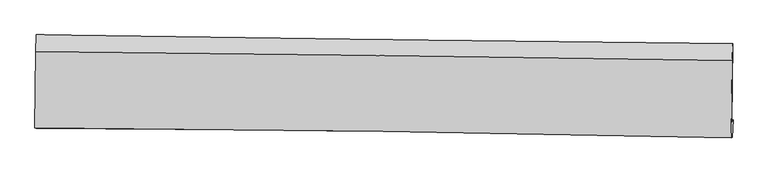
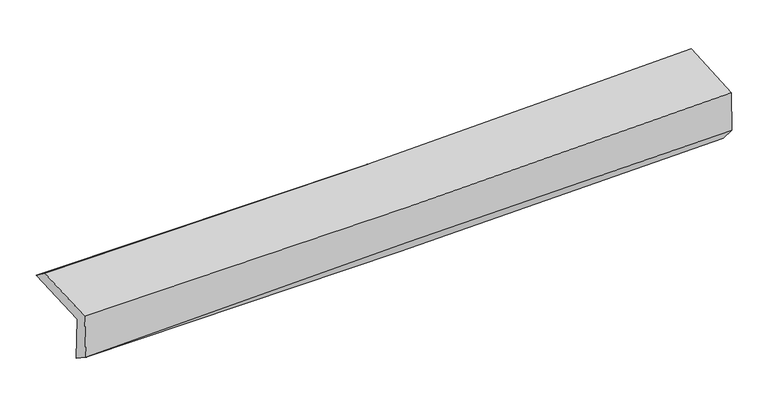
"""IFC4 building model written with IfcOpenShell, lengths in millimetres: proxy geometry."""

import ifcopenshell
import ifcopenshell.guid

model = None  # the IFC model being written
_history = None  # IfcOwnerHistory: only IFC2X3 demands one
_inside = {}  # id of a spatial element -> (the spatial element, [elements in it])
_under = {}  # id of a project, library or spatial element -> (it, [spatial elements below it])
_declared = {}  # id of a project -> (the project, [libraries it declares])
_typed = {}  # id of a type object -> (the type object, [elements of that type])
_made_of = {}  # id of a material, layer set ... -> (it, [elements and type objects made of it])


def new_model(schema):
    """Start an empty IFC model of exactly this schema.

    Asked for "IFC4X3", IfcOpenShell would pick the latest addendum, in which some entities
    have other attributes; the version numbers below select the first issue.
    IFC2X3 requires an IfcOwnerHistory on every rooted entity: one is made here for all.
    """
    global model, _history
    if schema == "IFC4X3":
        model = ifcopenshell.file(schema_version=(4, 3, 0, 0))
    else:
        model = ifcopenshell.file(schema=schema)
    _inside.clear()
    _under.clear()
    _declared.clear()
    _typed.clear()
    _made_of.clear()
    _history = None
    if model.schema == "IFC2X3":
        org = make("IfcOrganization", Name="unknown")
        user = make(
            "IfcPersonAndOrganization",
            ThePerson=make("IfcPerson", FamilyName="unknown"),
            TheOrganization=org,
        )
        app = make(
            "IfcApplication",
            ApplicationDeveloper=org,
            Version="unknown",
            ApplicationFullName="unknown",
            ApplicationIdentifier="unknown",
        )
        _history = make(
            "IfcOwnerHistory",
            OwningUser=user,
            OwningApplication=app,
            ChangeAction="ADDED",
            CreationDate=0,
        )
    return model


def make(cls, **values):
    """One entity of the class cls with the attributes given. An attribute that is None is left unset."""
    return model.create_entity(
        cls, **{name: value for name, value in values.items() if value is not None}
    )


def rooted(cls, **values):
    """An entity with a GlobalId (a new one), such as an element, a storey or a relation."""
    return make(cls, GlobalId=ifcopenshell.guid.new(), OwnerHistory=_history, **values)


def si_unit(unit_type, name, prefix=None):
    """IfcSIUnit, for example si_unit("LENGTHUNIT", "METRE", prefix="MILLI")."""
    return make("IfcSIUnit", UnitType=unit_type, Prefix=prefix, Name=name)


def assignment(units):
    """IfcUnitAssignment: the units of a project."""
    return None if units is None else make("IfcUnitAssignment", Units=units)


def point(xyz):
    """IfcCartesianPoint."""
    return None if xyz is None else make("IfcCartesianPoint", Coordinates=xyz)


def direction(xyz):
    """IfcDirection."""
    return None if xyz is None else make("IfcDirection", DirectionRatios=xyz)


def frame(location, z_axis=None, x_axis=None):
    """IfcAxis2Placement3D, a coordinate frame: its origin and axes. An axis left out is left unset."""
    return make(
        "IfcAxis2Placement3D",
        Location=point(location),
        Axis=direction(z_axis),
        RefDirection=direction(x_axis),
    )


def origin():
    """The frame at (0, 0, 0) with its axes left unset."""
    return frame((0.0, 0.0, 0.0))


def place(relative_to, where):
    """IfcLocalPlacement: puts the frame where relative to a parent placement (None: the world)."""
    return make(
        "IfcLocalPlacement", PlacementRelTo=relative_to, RelativePlacement=where
    )


def context(
    kind, dimensions, precision=None, world=None, true_north=None, identifier=None
):
    """IfcGeometricRepresentationContext, for example the 3D "Model" context."""
    return make(
        "IfcGeometricRepresentationContext",
        ContextIdentifier=identifier,
        ContextType=kind,
        CoordinateSpaceDimension=dimensions,
        Precision=precision,
        WorldCoordinateSystem=world,
        TrueNorth=true_north,
    )


def project(units=None, contexts=None):
    """IfcProject with its units and contexts."""
    return rooted(
        "IfcProject",
        Name="project",
        RepresentationContexts=contexts,
        UnitsInContext=assignment(units),
    )


def spatial(cls, under=None, at=None, **own):
    """A site, building, storey or space (cls), placed at a placement, below another one or the project."""
    s = rooted(cls, ObjectPlacement=at, **own)
    if under is not None:
        _under.setdefault(under.id(), (under, []))[1].append(s)
    return s


def shape(context_of_items, identifier, shape_type, items):
    """IfcShapeRepresentation: the items that make up one representation, for example the "Body"."""
    return make(
        "IfcShapeRepresentation",
        ContextOfItems=context_of_items,
        RepresentationIdentifier=identifier,
        RepresentationType=shape_type,
        Items=items,
    )


def source(mapping_origin, context_of_items, identifier, shape_type, items):
    """IfcRepresentationMap: a shape defined once, which mapped items show again and again."""
    return make(
        "IfcRepresentationMap",
        MappingOrigin=mapping_origin,
        MappedRepresentation=shape(context_of_items, identifier, shape_type, items),
    )


def transform(
    local_origin,
    x_axis=None,
    y_axis=None,
    z_axis=None,
    scale=None,
    scale2=None,
    scale3=None,
    uniform=True,
):
    """IfcCartesianTransformationOperator3D, or its non-uniform kind. x_axis, y_axis, z_axis: its Axis1, 2, 3."""
    if uniform:
        return make(
            "IfcCartesianTransformationOperator3D",
            Axis1=direction(x_axis),
            Axis2=direction(y_axis),
            LocalOrigin=point(local_origin),
            Scale=scale,
            Axis3=direction(z_axis),
        )
    return make(
        "IfcCartesianTransformationOperator3DnonUniform",
        Axis1=direction(x_axis),
        Axis2=direction(y_axis),
        LocalOrigin=point(local_origin),
        Scale=scale,
        Axis3=direction(z_axis),
        Scale2=scale2,
        Scale3=scale3,
    )


def mapped(mapping_source, mapping_target):
    """IfcMappedItem: shows the shape of a source again, moved by a transform."""
    return make(
        "IfcMappedItem", MappingSource=mapping_source, MappingTarget=mapping_target
    )


def made_of(thing, what):
    """Note that an element or type object is made of a material, layer set ...; save() writes the relation."""
    if what is not None:
        _made_of.setdefault(what.id(), (what, []))[1].append(thing)
    return thing


def element(
    cls,
    number,
    at=None,
    inside=None,
    cuts=None,
    type_object=None,
    material=None,
    context=None,
    identifier="Body",
    shape_type=None,
    held_by="IfcProductDefinitionShape",
    body=None,
    shapes=None,
    **own,
):
    """One element of the class cls, such as IfcWall. Its Tag is "e" and its number.

    at: its placement. inside: the storey or other place that contains it. cuts: it is an
    opening in that element (IfcRelVoidsElement). A single representation is given by context,
    identifier, shape_type and body (its items); several are given by shapes. held_by: the class
    of the entity that holds the representations. save() writes the other relations.
    """
    e = rooted(cls, Tag="e%d" % number, ObjectPlacement=at, **own)
    if body is not None:
        shapes = [shape(context, identifier, shape_type, body)]
    if shapes is not None:
        e.Representation = make(held_by, Representations=shapes)
    if inside is not None:
        _inside.setdefault(inside.id(), (inside, []))[1].append(e)
    if cuts is not None:
        rooted(
            "IfcRelVoidsElement", RelatingBuildingElement=cuts, RelatedOpeningElement=e
        )
    if type_object is not None:
        _typed.setdefault(type_object.id(), (type_object, []))[1].append(e)
    return made_of(e, material)


def aggregate(whole, parts):
    """IfcRelAggregates: a whole, such as a stair, and the parts it consists of."""
    return rooted("IfcRelAggregates", RelatingObject=whole, RelatedObjects=parts)


def save(model, path):
    """Write the relations noted so far, then the file.

    IfcRelAggregates (storeys below a building ...), IfcRelContainedInSpatialStructure (elements
    in a storey), IfcRelDefinesByType, IfcRelAssociatesMaterial and IfcRelDeclares: one each for
    every whole, place, type object, material and project.
    """
    for whole, parts in _under.values():
        aggregate(whole, parts)
    for where, things in _inside.values():
        rooted(
            "IfcRelContainedInSpatialStructure",
            RelatedElements=things,
            RelatingStructure=where,
        )
    for kind, things in _typed.values():
        rooted("IfcRelDefinesByType", RelatedObjects=things, RelatingType=kind)
    for what, things in _made_of.values():
        rooted("IfcRelAssociatesMaterial", RelatedObjects=things, RelatingMaterial=what)
    for by, libraries in _declared.values():
        rooted("IfcRelDeclares", RelatingContext=by, RelatedDefinitions=libraries)
    model.write(path)


def plane_surface(at):
    """IfcPlane: the flat surface through the origin of the frame at, square to its z axis."""
    return make("IfcPlane", Position=at)


def spline_curve(degree, points, multiplicities, knots, weights=None):
    """IfcBSplineCurveWithKnots; with weights, IfcRationalBSplineCurveWithKnots."""
    own = dict(
        Degree=degree,
        ControlPointsList=[point(p) for p in points],
        CurveForm="UNSPECIFIED",
        ClosedCurve=False,
        SelfIntersect=False,
        KnotMultiplicities=multiplicities,
        Knots=knots,
        KnotSpec="UNSPECIFIED",
    )
    if weights is None:
        return make("IfcBSplineCurveWithKnots", **own)
    return make("IfcRationalBSplineCurveWithKnots", WeightsData=weights, **own)


def spline_surface(u_degree, v_degree, points, u_multiplicities, v_multiplicities, u_knots, v_knots, weights=None):
    """IfcBSplineSurfaceWithKnots; with weights, IfcRationalBSplineSurfaceWithKnots. points: one row for each step in u."""
    own = dict(
        UDegree=u_degree,
        VDegree=v_degree,
        ControlPointsList=[[point(p) for p in row] for row in points],
        SurfaceForm="UNSPECIFIED",
        UClosed=False,
        VClosed=False,
        SelfIntersect=False,
        UMultiplicities=u_multiplicities,
        VMultiplicities=v_multiplicities,
        UKnots=u_knots,
        VKnots=v_knots,
        KnotSpec="UNSPECIFIED",
    )
    if weights is None:
        return make("IfcBSplineSurfaceWithKnots", **own)
    return make("IfcRationalBSplineSurfaceWithKnots", WeightsData=weights, **own)


def advanced_brep(points, edges, surfaces, faces):
    """IfcAdvancedBrep: a solid bounded by faces that lie on surfaces and meet in shared edges.

    An edge is (start, end): straight between two places in points (the first is 0);
    or (start, end, curve); or (start, end, curve, False) where it runs against its curve.
    A face is (place in surfaces, loops), or (place, loops, False) where it looks against
    its surface's normal. A loop lists edges by number (the first is 1), with a minus sign
    where the edge is run from its end to its start. The first loop is the outer one.
    """
    corners = [point(p) for p in points]
    vertices = [make("IfcVertexPoint", VertexGeometry=c) for c in corners]
    made = []
    for start, end, *more in edges:
        made.append(
            make(
                "IfcEdgeCurve",
                EdgeStart=vertices[start],
                EdgeEnd=vertices[end],
                EdgeGeometry=more[0] if more else make("IfcPolyline", Points=[corners[start], corners[end]]),
                SameSense=more[1] if len(more) > 1 else True,
            )
        )
    hull = []
    for where, loops, *sense in faces:
        bounds = []
        for j, loop in enumerate(loops):
            ring = [make("IfcOrientedEdge", EdgeElement=made[abs(k) - 1], Orientation=k > 0) for k in loop]
            bounds.append(
                make(
                    "IfcFaceOuterBound" if j == 0 else "IfcFaceBound",
                    Bound=make("IfcEdgeLoop", EdgeList=ring),
                    Orientation=True,
                )
            )
        hull.append(make("IfcAdvancedFace", Bounds=bounds, FaceSurface=surfaces[where], SameSense=sense[0] if sense else True))
    return make("IfcAdvancedBrep", Outer=make("IfcClosedShell", CfsFaces=hull))


def generic_models_9ad4bba7(model_context):
    return source(origin(), model_context, "Body", "AdvancedBrep", [
        advanced_brep(
        [(-3030.7467988, -1781.1395405, 1978.278214), (-3021.8975784, -1097.8141157, 1996.8171286), (3016.5050976, -1175.2188647, 2117.4270329), (3007.6446832, -1853.4966268, 2101.9971583), (-3019.5550184, -1745.4772836, 1562.716659), (3018.4560559, -1835.7551347, 1691.7074625), (-3024.6590181, -1911.3575427, 1672.9588504), (3011.8312948, -1987.5300381, 1868.4582744), (-3035.1407099, -1906.8557296, 2082.2361627), (3001.980126, -1993.9088785, 2247.494012), (-3026.7268464, -1242.4952015, 2107.6267966), (3010.4787067, -1322.8590569, 2273.1402983)],
        [
            (0, 1),
            (1, 2, spline_curve(3, [(-3021.8975784, -1097.8141157, 1996.8171286), (-2015.040756008, -1114.22141696, 1996.159921043), (-1008.396880469, -1128.87560544, 2005.882761763), (1004.403985978, -1154.676976125, 2046.087321155), (2010.561001971, -1165.824370406, 2076.567781851), (3016.5050976, -1175.2188647, 2117.4270329)], [4, 2, 4], [0.0, 9.909653463415625, 19.818706378428878])),
            (2, 3),
            (3, 0, spline_curve(3, [(3007.6446832, -1853.4966268, 2101.9971583), (2002.24551876, -1827.687502623, 2048.681340546), (996.361909219, -1808.753157354, 2011.713336955), (-1016.435192996, -1784.633295563, 1970.471706937), (-2023.348743838, -1779.448611736, 1966.20006278), (-3030.7467988, -1781.1395405, 1978.278214)], [4, 2, 4], [0.0, 9.909052915013254, 19.818706378428878])),
            (4, 0),
            (3, 5),
            (5, 4, spline_curve(3, [(3018.4560559, -1835.7551347, 1691.7074625), (2012.87615707, -1813.125086246, 1643.723195536), (1006.933876168, -1794.287020743, 1608.981752971), (-1005.736437703, -1764.193944374, 1565.983213483), (-2012.46451517, -1752.939392719, 1557.727721579), (-3019.5550184, -1745.4772836, 1562.716659)], [4, 2, 4], [0.0, 9.909365242723931, 19.819331052779177])),
            (6, 4),
            (5, 7),
            (7, 6, spline_curve(3, [(3011.8312948, -1987.5300381, 1868.4582744), (2005.814704981, -1964.123810828, 1837.837315204), (999.780794234, -1946.073019393, 1806.235740549), (-1012.38264141, -1920.681538192, 1741.069384774), (-2018.512168194, -1913.341498131, 1707.504484747), (-3024.6590181, -1911.3575427, 1672.9588504)], [4, 2, 4], [0.0, 9.908172966007669, 19.816946427087487])),
            (8, 6),
            (7, 9),
            (9, 8, spline_curve(3, [(3001.980126, -1993.9088785, 2247.494012), (1996.429709373, -1972.082111475, 2197.939656381), (990.576351974, -1953.914407972, 2159.391075064), (-1021.797223518, -1924.896248116, 2104.303791075), (-2028.317477983, -1914.046235327, 2087.766422991), (-3035.1407099, -1906.8557296, 2082.2361627)], [4, 2, 4], [0.0, 9.90814176099491, 19.81688401517076])),
            (10, 8),
            (9, 11),
            (11, 10, spline_curve(3, [(3010.4787067, -1322.8590569, 2273.1402983), (2004.858061458, -1306.577534214, 2223.374013703), (998.962529511, -1291.739944181, 2184.698161523), (-1013.43928791, -1264.951817283, 2129.525650034), (-2019.945607211, -1253.001455629, 2113.030334866), (-3026.7268464, -1242.4952015, 2107.6267966)], [4, 2, 4], [0.0, 9.908476484663225, 19.817553482793663])),
            (1, 10),
            (11, 2),
        ],
        [
            spline_surface(3, 3, [[(-3030.7467988, -1781.1395405, 1978.278214), (-2023.3487438, -1779.448611607, 1966.20006283), (-1016.435192869, -1784.633295408, 1970.471707088), (996.361909092, -1808.75315751, 2011.713336804), (2002.245518793, -1827.687502468, 2048.681340639), (3007.6446832, -1853.4966268, 2101.9971583)], [(-3027.797058644, -1553.364398915, 1984.457852205), (-2020.579414543, -1557.70621336, 1976.186682226), (-1013.755755368, -1566.047398778, 1982.275391945), (999.042601331, -1590.727763683, 2023.171331597), (2005.017346553, -1607.066458432, 2057.976821088), (3010.598154653, -1627.404039436, 2107.140449853)], [(-3024.847318556, -1325.589257285, 1990.637490395), (-2017.810085353, -1335.963815069, 1986.173301607), (-1011.076317833, -1347.461502156, 1994.07907684), (1001.723293602, -1372.702369865, 2034.629326428), (2007.789174354, -1386.445414388, 2067.272301476), (3013.551626147, -1401.311452064, 2112.283741347)], [(-3021.8975784, -1097.8141157, 1996.8171286), (-2015.040756096, -1114.221416823, 1996.159921003), (-1008.396880332, -1128.875605526, 2005.882761697), (1004.403985841, -1154.676976038, 2046.087321221), (2010.561002113, -1165.824370352, 2076.567781924), (3016.5050976, -1175.2188647, 2117.4270329)]], [4, 4], [4, 2, 4], [0.0, 2.15188684115862], [0.0, 9.909653463415625, 19.818706378428878]),
            spline_surface(3, 3, [[(-3019.5550184, -1745.4772836, 1562.716659), (-2012.464515112, -1752.939392619, 1557.727721423), (-1005.736437859, -1764.19394421, 1565.983213356), (1006.933876324, -1794.287020907, 1608.981753098), (2012.876157152, -1813.125086318, 1643.723195659), (3018.4560559, -1835.7551347, 1691.7074625)], [(-3023.285611873, -1757.36470258, 1701.237177314), (-2016.092591348, -1761.775798961, 1693.885168539), (-1009.302689508, -1771.007061267, 1700.812711267), (1003.409887268, -1799.109066432, 1743.225614334), (2009.332611034, -1817.979225036, 1778.709243966), (3014.852265001, -1841.668965401, 1828.470694413)], [(-3027.016205327, -1769.25212152, 1839.757695686), (-2019.720667564, -1770.612205264, 1830.042615714), (-1012.86894122, -1777.820178351, 1835.642209177), (999.885898149, -1803.931111984, 1877.469475568), (2005.789064911, -1822.83336375, 1913.695292333), (3011.248474099, -1847.582796099, 1965.233926387)], [(-3030.7467988, -1781.1395405, 1978.278214), (-2023.3487438, -1779.448611607, 1966.20006283), (-1016.435192869, -1784.633295408, 1970.471707088), (996.361909092, -1808.75315751, 2011.713336804), (2002.245518793, -1827.687502468, 2048.681340639), (3007.6446832, -1853.4966268, 2101.9971583)]], [4, 4], [4, 2, 4], [0.0, 1.3258767546108825], [0.0, 9.909965810055246, 19.819331052779177]),
            spline_surface(3, 3, [[(-3024.6590181, -1911.3575427, 1672.9588504), (-2018.512168296, -1913.341498031, 1707.504484905), (-1012.382641357, -1920.681538323, 1741.06938476), (999.780794181, -1946.073019261, 1806.235740563), (2005.814704867, -1964.123810819, 1837.837315369), (3011.8312948, -1987.5300381, 1868.4582744)], [(-3022.957684868, -1856.064122972, 1636.211453272), (-2016.496283902, -1859.874129532, 1657.578897083), (-1010.167240216, -1868.519006958, 1682.707327608), (1002.165154871, -1895.477686483, 1740.484411391), (2008.1685223, -1913.790902664, 1773.132608804), (3014.039548504, -1936.938403646, 1809.541337105)], [(-3021.256351632, -1800.770703328, 1599.464056128), (-2014.480399505, -1806.406761118, 1607.653309246), (-1007.951839, -1816.356475575, 1624.345270508), (1004.549515634, -1844.882353686, 1674.73308227), (2010.52233972, -1863.457994473, 1708.427902224), (3016.247802196, -1886.346769154, 1750.624399795)], [(-3019.5550184, -1745.4772836, 1562.716659), (-2012.464515112, -1752.939392619, 1557.727721423), (-1005.736437859, -1764.19394421, 1565.983213356), (1006.933876324, -1794.287020907, 1608.981753098), (2012.876157152, -1813.125086318, 1643.723195659), (3018.4560559, -1835.7551347, 1691.7074625)]], [4, 4], [4, 2, 4], [0.0, 0.7932908660707869], [0.0, 9.908773461079818, 19.816946427087487]),
            spline_surface(3, 3, [[(-3035.1407099, -1906.8557296, 2082.2361627), (-2028.31747796, -1914.046235439, 2087.76642285), (-1021.797223399, -1924.896248139, 2104.303791151), (990.576351855, -1953.91440795, 2159.391074989), (1996.429709244, -1972.0821116, 2197.939656458), (3001.980126, -1993.9088785, 2247.494012)], [(-3031.646812633, -1908.356333967, 1945.810391944), (-2025.049041405, -1913.81132297, 1961.012443545), (-1018.659029373, -1923.491344854, 1983.225655687), (993.644499309, -1951.300611708, 2041.67263018), (1999.558041114, -1969.429344673, 2077.905542777), (3005.263848929, -1991.782598367, 2121.148766149)], [(-3028.152915367, -1909.856938333, 1809.384621156), (-2021.780604851, -1913.5764105, 1834.258464209), (-1015.520835382, -1922.086441608, 1862.147520223), (996.712646728, -1948.686815504, 1923.954185371), (2002.686372996, -1966.776577746, 1957.87142905), (3008.547571871, -1989.656318233, 1994.803520251)], [(-3024.6590181, -1911.3575427, 1672.9588504), (-2018.512168296, -1913.341498031, 1707.504484905), (-1012.382641357, -1920.681538323, 1741.06938476), (999.780794181, -1946.073019261, 1806.235740563), (2005.814704867, -1964.123810819, 1837.837315369), (3011.8312948, -1987.5300381, 1868.4582744)]], [4, 4], [4, 2, 4], [0.0, 1.1757442036853294], [0.0, 9.90874225417585, 19.81688401517076]),
            spline_surface(3, 3, [[(-3026.7268464, -1242.4952015, 2107.6267966), (-2019.945607101, -1253.001455621, 2113.030334967), (-1013.43928807, -1264.951817304, 2129.525649987), (998.96252967, -1291.739944159, 2184.69816157), (2004.858061618, -1306.577534221, 2223.374013753), (3010.4787067, -1322.8590569, 2273.1402983)], [(-3029.531467558, -1463.948710894, 2099.163251964), (-2022.736230712, -1473.349715588, 2104.609030925), (-1016.225266519, -1484.933294269, 2121.118363715), (996.167137059, -1512.464765442, 2176.26246605), (2002.048610816, -1528.412393322, 2214.895894635), (3007.645846457, -1546.542330742, 2264.59153618)], [(-3032.336088742, -1685.402220206, 2090.699707336), (-2025.526854349, -1693.697975473, 2096.187726892), (-1019.011244949, -1704.914771174, 2112.711077423), (993.371744467, -1733.189586667, 2167.826770509), (1999.239160045, -1750.247252499, 2206.417775577), (3004.812986243, -1770.225604658, 2256.04277412)], [(-3035.1407099, -1906.8557296, 2082.2361627), (-2028.31747796, -1914.046235439, 2087.76642285), (-1021.797223399, -1924.896248139, 2104.303791151), (990.576351855, -1953.91440795, 2159.391074989), (1996.429709244, -1972.0821116, 2197.939656458), (3001.980126, -1993.9088785, 2247.494012)]], [4, 4], [4, 2, 4], [0.0, 2.1705871323990027], [0.0, 9.909076998130438, 19.817553482793663]),
            spline_surface(3, 3, [[(-3021.8975784, -1097.8141157, 1996.8171286), (-2015.040756096, -1114.221416823, 1996.159921003), (-1008.396880332, -1128.875605526, 2005.882761697), (1004.403985841, -1154.676976038, 2046.087321221), (2010.561002113, -1165.824370352, 2076.567781924), (3016.5050976, -1175.2188647, 2117.4270329)], [(-3023.507334424, -1146.041144272, 2033.753684602), (-2016.675706455, -1160.481429728, 2035.11672566), (-1010.077682902, -1174.234342784, 2047.097057816), (1002.590167126, -1200.364632078, 2092.290934693), (2008.66002197, -1212.74209165, 2125.503192534), (3014.496300655, -1224.432262109, 2169.3314547)], [(-3025.117090376, -1194.268172928, 2070.690240598), (-2018.310656742, -1206.741442716, 2074.07353031), (-1011.758485499, -1219.593080046, 2088.311353867), (1000.776348385, -1246.05228812, 2138.494548098), (2006.759041761, -1259.659812923, 2174.438603144), (3012.487503645, -1273.645659491, 2221.2358765)], [(-3026.7268464, -1242.4952015, 2107.6267966), (-2019.945607101, -1253.001455621, 2113.030334967), (-1013.43928807, -1264.951817304, 2129.525649987), (998.96252967, -1291.739944159, 2184.69816157), (2004.858061618, -1306.577534221, 2223.374013753), (3010.4787067, -1322.8590569, 2273.1402983)]], [4, 4], [4, 2, 4], [0.0, 0.6213953899883153], [0.0, 9.909021377692504, 19.817442245288525]),
            plane_surface(frame((3011.1493274, -1694.7947666, 2050.0373731), z_axis=(0.9995753229633711, -0.013643322310022138, 0.025749436479605935), x_axis=(0.025977629625432205, 0.016821065286847504, -0.9995209925367549))),
            plane_surface(frame((-3026.4543283, -1614.1899023, 1900.1056352), z_axis=(-0.9995753229633837, 0.013643322307711928, -0.02574943648033861), x_axis=(-0.012944380569957347, -0.9995484216623666, -0.027118181427447218))),
        ],
        [
            (0, [[1, 2, 3, 4]]),
            (1, [[5, -4, 6, 7]]),
            (2, [[8, -7, 9, 10]]),
            (3, [[11, -10, 12, 13]]),
            (4, [[14, -13, 15, 16]]),
            (5, [[17, -16, 18, -2]]),
            (6, [[-12, -9, -6, -3, -18, -15]]),
            (7, [[-1, -5, -8, -11, -14, -17]]),
        ],
    ),
    ])


if __name__ == "__main__":
    model = new_model("IFC4")
    model_context = context("Model", 3, world=origin())
    ifc_project = project(units=[si_unit("LENGTHUNIT", "METRE", prefix="MILLI")], contexts=[model_context])
    site = spatial("IfcSite", under=ifc_project)
    building = spatial("IfcBuilding", under=site)
    placement = place(None, origin())
    generic_models_shape = generic_models_9ad4bba7(model_context)
    element("IfcBuildingElementProxy", 1, Name="Generic Models", at=placement, inside=building, context=model_context, shape_type="MappedRepresentation", body=[
        mapped(generic_models_shape, transform((0.0, 0.0, 0.0), x_axis=(1.0, 0.0, 0.0), y_axis=(0.0, 1.0, 0.0), z_axis=(0.0, 0.0, 1.0))),
    ])
    save(model, "model.ifc")
